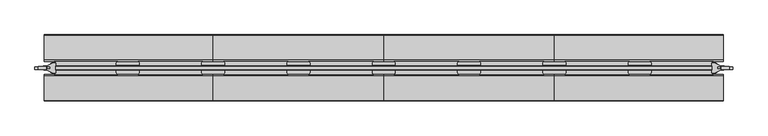
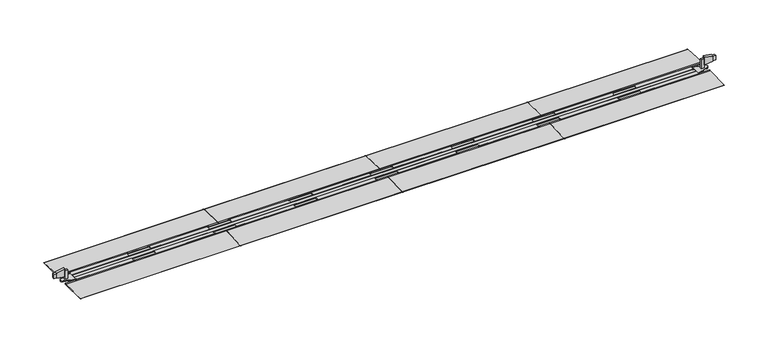
"""IFC4 building model written with IfcOpenShell, lengths in millimetres: furniture geometry."""

from ifc_helpers import new_model, si_unit, point, frame, frame_2d, origin, place, context, project, spatial, polyline, circle_curve, trimmed, segment, composite_curve, outline, extrude, faceted_brep, source, transform, mapped, element, save
from ifc_brep_helpers import plane_surface, cylinder_surface, advanced_brep


def furniture_0c7c3ee8(model_context):
    return source(origin(), model_context, "Body", "SolidModel", [
        extrude(outline(composite_curve([segment(polyline([(84.6321434, 8.9147716), (84.6321434, 18.4297719)]), True, "CONTINUOUS"), segment(trimmed(circle_curve(frame_2d((78.6321437, 18.4297719)), 5.9999997), [point((84.6321434, 18.4297719))], [point((78.6321437, 24.4297716))], True, "CARTESIAN"), True, "CONTINUOUS"), segment(polyline([(78.6321437, 24.4297716), (317.645938, 24.4297716)]), True, "CONTINUOUS"), segment(trimmed(circle_curve(frame_2d((317.645938, 18.4297719)), 5.9999997), [point((317.645938, 24.4297716))], [point((311.6459384, 18.4297719))], True, "CARTESIAN"), True, "CONTINUOUS"), segment(polyline([(311.6459384, 18.4297719), (311.6459384, 8.9147716), (84.6321434, 8.9147716)]), True, "CONTINUOUS")], self_intersect=False)), frame((0.0, 0.0, 3.2), z_axis=(0.0, 0.0, 1.0), x_axis=(1.0, 0.0, 0.0)), (0.0, 0.0, 1.0), 1.6426255),
        extrude(outline(composite_curve([segment(polyline([(-8.9147716, 84.6321434), (-18.4297719, 84.6321434)]), True, "CONTINUOUS"), segment(trimmed(circle_curve(frame_2d((-18.4297719, 78.6321437)), 5.9999997), [point((-18.4297719, 84.6321434))], [point((-24.4297716, 78.6321437))], True, "CARTESIAN"), True, "CONTINUOUS"), segment(polyline([(-24.4297716, 78.6321437), (-24.4297716, 317.645938)]), True, "CONTINUOUS"), segment(trimmed(circle_curve(frame_2d((-18.4297719, 317.645938)), 5.9999997), [point((-24.4297716, 317.645938))], [point((-18.4297719, 311.6459384))], True, "CARTESIAN"), True, "CONTINUOUS"), segment(polyline([(-18.4297719, 311.6459384), (-8.9147716, 311.6459384), (-8.9147716, 84.6321434)]), True, "CONTINUOUS")], self_intersect=False)), frame((0.0, 0.0, 4.8426255), z_axis=(0.0, 0.0, -1.0), x_axis=(0.0, 1.0, 0.0)), (0.0, 0.0, 1.0), 1.6426255),
        extrude(outline(composite_curve([segment(polyline([(635.0805508, 8.9147716), (401.6635384, 8.9147716), (401.6635384, 18.4297719)]), True, "CONTINUOUS"), segment(trimmed(circle_curve(frame_2d((395.6635387, 18.4297719)), 5.9999997), [point((401.6635384, 18.4297719))], [point((395.6635387, 24.4297716))], True, "CARTESIAN"), True, "CONTINUOUS"), segment(polyline([(395.6635387, 24.4297716), (641.0805505, 24.4297716)]), True, "CONTINUOUS"), segment(trimmed(circle_curve(frame_2d((641.0805505, 18.4297719)), 5.9999997), [point((641.0805505, 24.4297716))], [point((635.0805508, 18.4297719))], True, "CARTESIAN"), True, "CONTINUOUS"), segment(polyline([(635.0805508, 18.4297719), (635.0805508, 8.9147716)]), True, "CONTINUOUS")], self_intersect=False)), frame((0.0, 0.0, 3.2), z_axis=(0.0, 0.0, 1.0), x_axis=(1.0, 0.0, 0.0)), (0.0, 0.0, 1.0), 1.6426255),
        extrude(outline(composite_curve([segment(polyline([(-8.9147716, 635.0805508), (-8.9147716, 401.6635384), (-18.4297719, 401.6635384)]), True, "CONTINUOUS"), segment(trimmed(circle_curve(frame_2d((-18.4297719, 395.6635387)), 5.9999997), [point((-18.4297719, 401.6635384))], [point((-24.4297716, 395.6635387))], True, "CARTESIAN"), True, "CONTINUOUS"), segment(polyline([(-24.4297716, 395.6635387), (-24.4297716, 641.0805505)]), True, "CONTINUOUS"), segment(trimmed(circle_curve(frame_2d((-18.4297719, 641.0805505)), 5.9999997), [point((-24.4297716, 641.0805505))], [point((-18.4297719, 635.0805508))], True, "CARTESIAN"), True, "CONTINUOUS"), segment(polyline([(-18.4297719, 635.0805508), (-8.9147716, 635.0805508)]), True, "CONTINUOUS")], self_intersect=False)), frame((0.0, 0.0, 4.8426255), z_axis=(0.0, 0.0, -1.0), x_axis=(0.0, 1.0, 0.0)), (0.0, 0.0, 1.0), 1.6426255),
        extrude(outline(composite_curve([segment(polyline([(1281.9614008, 8.9147716), (1048.5385758, 8.9147716), (1048.5385758, 18.4353716)]), True, "CONTINUOUS"), segment(trimmed(circle_curve(frame_2d((1042.5441758, 18.4353716)), 5.9944), [point((1048.5385758, 18.4353716))], [point((1042.5441758, 24.4297716))], True, "CARTESIAN"), True, "CONTINUOUS"), segment(polyline([(1042.5441758, 24.4297716), (1287.9614005, 24.4297716)]), True, "CONTINUOUS"), segment(trimmed(circle_curve(frame_2d((1287.9614005, 18.4297719)), 5.9999997), [point((1287.9614005, 24.4297716))], [point((1281.9614008, 18.4297719))], True, "CARTESIAN"), True, "CONTINUOUS"), segment(polyline([(1281.9614008, 18.4297719), (1281.9614008, 8.9147716)]), True, "CONTINUOUS")], self_intersect=False)), frame((0.0, 0.0, 3.2), z_axis=(0.0, 0.0, 1.0), x_axis=(1.0, 0.0, 0.0)), (0.0, 0.0, 1.0), 1.6426255),
        extrude(outline(composite_curve([segment(polyline([(1281.9614008, -8.9147716), (1281.9614008, -18.4297719)]), True, "CONTINUOUS"), segment(trimmed(circle_curve(frame_2d((1287.9614005, -18.4297719)), 5.9999997), [point((1281.9614008, -18.4297719))], [point((1287.9614005, -24.4297716))], True, "CARTESIAN"), True, "CONTINUOUS"), segment(polyline([(1287.9614005, -24.4297716), (1042.5385762, -24.4297716)]), True, "CONTINUOUS"), segment(trimmed(circle_curve(frame_2d((1042.5385762, -18.4297719)), 5.9999997), [point((1042.5385762, -24.4297716))], [point((1048.5385758, -18.4297719))], True, "CARTESIAN"), True, "CONTINUOUS"), segment(polyline([(1048.5385758, -18.4297719), (1048.5385758, -8.9147716), (1281.9614008, -8.9147716)]), True, "CONTINUOUS")], self_intersect=False)), frame((0.0, 0.0, 3.2), z_axis=(0.0, 0.0, 1.0), x_axis=(1.0, 0.0, 0.0)), (0.0, 0.0, 1.0), 1.6426255),
        extrude(outline(composite_curve([segment(polyline([(8.9147716, 725.0981508), (8.9147716, 958.5209758), (18.4297719, 958.5209758)]), True, "CONTINUOUS"), segment(trimmed(circle_curve(frame_2d((18.4297719, 964.5209755)), 5.9999997), [point((18.4297719, 958.5209758))], [point((24.4297716, 964.5209755))], True, "CARTESIAN"), True, "CONTINUOUS"), segment(polyline([(24.4297716, 964.5209755), (24.4297716, 719.0981512)]), True, "CONTINUOUS"), segment(trimmed(circle_curve(frame_2d((18.4297719, 719.0981512)), 5.9999997), [point((24.4297716, 719.0981512))], [point((18.4297719, 725.0981508))], True, "CARTESIAN"), True, "CONTINUOUS"), segment(polyline([(18.4297719, 725.0981508), (8.9147716, 725.0981508)]), True, "CONTINUOUS")], self_intersect=False)), frame((0.0, 0.0, 4.8426255), z_axis=(0.0, 0.0, -1.0), x_axis=(0.0, 1.0, 0.0)), (0.0, 0.0, 1.0), 1.6426255),
        extrude(outline(composite_curve([segment(polyline([(725.0981508, -8.9147716), (958.5209758, -8.9147716), (958.5209758, -18.4297719)]), True, "CONTINUOUS"), segment(trimmed(circle_curve(frame_2d((964.5209755, -18.4297719)), 5.9999997), [point((958.5209758, -18.4297719))], [point((964.5209755, -24.4297716))], True, "CARTESIAN"), True, "CONTINUOUS"), segment(polyline([(964.5209755, -24.4297716), (719.0981512, -24.4297716)]), True, "CONTINUOUS"), segment(trimmed(circle_curve(frame_2d((719.0981512, -18.4297719)), 5.9999997), [point((719.0981512, -24.4297716))], [point((725.0981508, -18.4297719))], True, "CARTESIAN"), True, "CONTINUOUS"), segment(polyline([(725.0981508, -18.4297719), (725.0981508, -8.9147716)]), True, "CONTINUOUS")], self_intersect=False)), frame((0.0, 0.0, 3.2), z_axis=(0.0, 0.0, 1.0), x_axis=(1.0, 0.0, 0.0)), (0.0, 0.0, 1.0), 1.6426255),
        extrude(outline(composite_curve([segment(polyline([(2569.3082583, 8.9147716), (2342.2944633, 8.9147716), (2342.2944633, 18.4297719)]), True, "CONTINUOUS"), segment(trimmed(circle_curve(frame_2d((2336.2944637, 18.4297719)), 5.9999997), [point((2342.2944633, 18.4297719))], [point((2336.2944637, 24.4297716))], True, "CARTESIAN"), True, "CONTINUOUS"), segment(polyline([(2336.2944637, 24.4297716), (2575.308258, 24.4297716)]), True, "CONTINUOUS"), segment(trimmed(circle_curve(frame_2d((2575.308258, 18.4297719)), 5.9999997), [point((2575.308258, 24.4297716))], [point((2569.3082583, 18.4297719))], True, "CARTESIAN"), True, "CONTINUOUS"), segment(polyline([(2569.3082583, 18.4297719), (2569.3082583, 8.9147716)]), True, "CONTINUOUS")], self_intersect=False)), frame((0.0, 0.0, 3.2), z_axis=(0.0, 0.0, 1.0), x_axis=(1.0, 0.0, 0.0)), (0.0, 0.0, 1.0), 1.6426255),
        extrude(outline(composite_curve([segment(polyline([(2569.3082583, -8.9147716), (2569.3082583, -18.4297719)]), True, "CONTINUOUS"), segment(trimmed(circle_curve(frame_2d((2575.308258, -18.4297719)), 5.9999997), [point((2569.3082583, -18.4297719))], [point((2575.308258, -24.4297716))], True, "CARTESIAN"), True, "CONTINUOUS"), segment(polyline([(2575.308258, -24.4297716), (2336.2944637, -24.4297716)]), True, "CONTINUOUS"), segment(trimmed(circle_curve(frame_2d((2336.2944637, -18.4297719)), 5.9999997), [point((2336.2944637, -24.4297716))], [point((2342.2944633, -18.4297719))], True, "CARTESIAN"), True, "CONTINUOUS"), segment(polyline([(2342.2944633, -18.4297719), (2342.2944633, -8.9147716), (2569.3082583, -8.9147716)]), True, "CONTINUOUS")], self_intersect=False)), frame((0.0, 0.0, 3.2), z_axis=(0.0, 0.0, 1.0), x_axis=(1.0, 0.0, 0.0)), (0.0, 0.0, 1.0), 1.6426255),
        extrude(outline(composite_curve([segment(polyline([(2018.8598508, 8.9147716), (2018.8598508, 18.4297719)]), True, "CONTINUOUS"), segment(trimmed(circle_curve(frame_2d((2012.8598512, 18.4297719)), 5.9999997), [point((2018.8598508, 18.4297719))], [point((2012.8598512, 24.4297716))], True, "CARTESIAN"), True, "CONTINUOUS"), segment(polyline([(2012.8598512, 24.4297716), (2258.276863, 24.4297716)]), True, "CONTINUOUS"), segment(trimmed(circle_curve(frame_2d((2258.276863, 18.4297719)), 5.9999997), [point((2258.276863, 24.4297716))], [point((2252.2768633, 18.4297719))], True, "CARTESIAN"), True, "CONTINUOUS"), segment(polyline([(2252.2768633, 18.4297719), (2252.2768633, 8.9147716), (2018.8598508, 8.9147716)]), True, "CONTINUOUS")], self_intersect=False)), frame((0.0, 0.0, 3.2), z_axis=(0.0, 0.0, 1.0), x_axis=(1.0, 0.0, 0.0)), (0.0, 0.0, 1.0), 1.6426255),
        extrude(outline(composite_curve([segment(polyline([(2018.8598508, -8.9147716), (2252.2768633, -8.9147716), (2252.2768633, -18.4297719)]), True, "CONTINUOUS"), segment(trimmed(circle_curve(frame_2d((2258.276863, -18.4297719)), 5.9999997), [point((2252.2768633, -18.4297719))], [point((2258.276863, -24.4297716))], True, "CARTESIAN"), True, "CONTINUOUS"), segment(polyline([(2258.276863, -24.4297716), (2012.8598512, -24.4297716)]), True, "CONTINUOUS"), segment(trimmed(circle_curve(frame_2d((2012.8598512, -18.4297719)), 5.9999997), [point((2012.8598512, -24.4297716))], [point((2018.8598508, -18.4297719))], True, "CARTESIAN"), True, "CONTINUOUS"), segment(polyline([(2018.8598508, -18.4297719), (2018.8598508, -8.9147716)]), True, "CONTINUOUS")], self_intersect=False)), frame((0.0, 0.0, 3.2), z_axis=(0.0, 0.0, 1.0), x_axis=(1.0, 0.0, 0.0)), (0.0, 0.0, 1.0), 1.6426255),
        extrude(outline(composite_curve([segment(polyline([(1371.9790008, 8.9147716), (1371.9790008, 18.4297719)]), True, "CONTINUOUS"), segment(trimmed(circle_curve(frame_2d((1365.9790012, 18.4297719)), 5.9999997), [point((1371.9790008, 18.4297719))], [point((1365.9790012, 24.4297716))], True, "CARTESIAN"), True, "CONTINUOUS"), segment(polyline([(1365.9790012, 24.4297716), (1611.4018255, 24.4297716)]), True, "CONTINUOUS"), segment(trimmed(circle_curve(frame_2d((1611.4018255, 18.4297719)), 5.9999997), [point((1611.4018255, 24.4297716))], [point((1605.4018258, 18.4297719))], True, "CARTESIAN"), True, "CONTINUOUS"), segment(polyline([(1605.4018258, 18.4297719), (1605.4018258, 8.9147716), (1371.9790008, 8.9147716)]), True, "CONTINUOUS")], self_intersect=False)), frame((0.0, 0.0, 3.2), z_axis=(0.0, 0.0, 1.0), x_axis=(1.0, 0.0, 0.0)), (0.0, 0.0, 1.0), 1.6426255),
        extrude(outline(composite_curve([segment(polyline([(1371.9790008, -8.9147716), (1605.4018258, -8.9147716), (1605.4018258, -18.4297719)]), True, "CONTINUOUS"), segment(trimmed(circle_curve(frame_2d((1611.4018255, -18.4297719)), 5.9999997), [point((1605.4018258, -18.4297719))], [point((1611.4018255, -24.4297716))], True, "CARTESIAN"), True, "CONTINUOUS"), segment(polyline([(1611.4018255, -24.4297716), (1365.9790012, -24.4297716)]), True, "CONTINUOUS"), segment(trimmed(circle_curve(frame_2d((1365.9790012, -18.4297719)), 5.9999997), [point((1365.9790012, -24.4297716))], [point((1371.9790008, -18.4297719))], True, "CARTESIAN"), True, "CONTINUOUS"), segment(polyline([(1371.9790008, -18.4297719), (1371.9790008, -8.9147716)]), True, "CONTINUOUS")], self_intersect=False)), frame((0.0, 0.0, 3.2), z_axis=(0.0, 0.0, 1.0), x_axis=(1.0, 0.0, 0.0)), (0.0, 0.0, 1.0), 1.6426255),
        extrude(outline(composite_curve([segment(polyline([(1928.8422508, 8.9147716), (1695.4194258, 8.9147716), (1695.4194258, 18.4297719)]), True, "CONTINUOUS"), segment(trimmed(circle_curve(frame_2d((1689.4194262, 18.4297719)), 5.9999997), [point((1695.4194258, 18.4297719))], [point((1689.4194262, 24.4297716))], True, "CARTESIAN"), True, "CONTINUOUS"), segment(polyline([(1689.4194262, 24.4297716), (1934.8422505, 24.4297716)]), True, "CONTINUOUS"), segment(trimmed(circle_curve(frame_2d((1934.8422505, 18.4297719)), 5.9999997), [point((1934.8422505, 24.4297716))], [point((1928.8422508, 18.4297719))], True, "CARTESIAN"), True, "CONTINUOUS"), segment(polyline([(1928.8422508, 18.4297719), (1928.8422508, 8.9147716)]), True, "CONTINUOUS")], self_intersect=False)), frame((0.0, 0.0, 3.2), z_axis=(0.0, 0.0, 1.0), x_axis=(1.0, 0.0, 0.0)), (0.0, 0.0, 1.0), 1.6426255),
        extrude(outline(composite_curve([segment(polyline([(1928.8422508, -8.9147716), (1928.8422508, -18.4297719)]), True, "CONTINUOUS"), segment(trimmed(circle_curve(frame_2d((1934.8422505, -18.4297719)), 5.9999997), [point((1928.8422508, -18.4297719))], [point((1934.8422505, -24.4297716))], True, "CARTESIAN"), True, "CONTINUOUS"), segment(polyline([(1934.8422505, -24.4297716), (1689.4194262, -24.4297716)]), True, "CONTINUOUS"), segment(trimmed(circle_curve(frame_2d((1689.4194262, -18.4297719)), 5.9999997), [point((1689.4194262, -24.4297716))], [point((1695.4194258, -18.4297719))], True, "CARTESIAN"), True, "CONTINUOUS"), segment(polyline([(1695.4194258, -18.4297719), (1695.4194258, -8.9147716), (1928.8422508, -8.9147716)]), True, "CONTINUOUS")], self_intersect=False)), frame((0.0, 0.0, 3.2), z_axis=(0.0, 0.0, 1.0), x_axis=(1.0, 0.0, 0.0)), (0.0, 0.0, 1.0), 1.6426255),
        extrude(outline(composite_curve([segment(trimmed(circle_curve(frame_2d((125.4554521, 0.4957713)), 0.4957713), [point((125.4754986, 0.9911372))], [point((125.4554521, 0.0))], False, "CARTESIAN"), True, "CONTINUOUS"), segment(polyline([(125.4554521, 0.0), (24.4297716, 0.0), (24.4297716, 4.8426255), (30.3016859, 4.8426255), (125.4754986, 0.9911372)]), True, "CONTINUOUS")], self_intersect=False)), frame((1973.8510508, 0.0, 0.0), z_axis=(1.0, 0.0, 0.0), x_axis=(0.0, 1.0, 0.0)), (0.0, 0.0, 1.0), 640.4572042),
        extrude(outline(composite_curve([segment(polyline([(-125.4754986, 0.9911372), (-30.3016859, 4.8426255), (-24.4297716, 4.8426255), (-24.4297716, 0.0), (-125.4554521, 0.0)]), True, "CONTINUOUS"), segment(trimmed(circle_curve(frame_2d((-125.4554521, 0.4957713)), 0.4957713), [point((-125.4554521, 0.0))], [point((-125.4754986, 0.9911372))], False, "CARTESIAN"), True, "CONTINUOUS")], self_intersect=False)), frame((1973.8510508, 0.0, 0.0), z_axis=(1.0, 0.0, 0.0), x_axis=(0.0, 1.0, 0.0)), (0.0, 0.0, 1.0), 640.4572042),
        extrude(outline(composite_curve([segment(trimmed(circle_curve(frame_2d((125.4554521, 0.4957713)), 0.4957713), [point((125.4754986, 0.9911372))], [point((125.4554521, 0.0))], False, "CARTESIAN"), True, "CONTINUOUS"), segment(polyline([(125.4554521, 0.0), (24.4297716, 0.0), (24.4297716, 4.8426255), (30.3016859, 4.8426255), (125.4754986, 0.9911372)]), True, "CONTINUOUS")], self_intersect=False)), frame((1326.9702008, 0.0, 0.0), z_axis=(1.0, 0.0, 0.0), x_axis=(0.0, 1.0, 0.0)), (0.0, 0.0, 1.0), 646.88085),
        extrude(outline(composite_curve([segment(polyline([(-125.4754986, 0.9911372), (-30.3016859, 4.8426255), (-24.4297716, 4.8426255), (-24.4297716, 0.0), (-125.4554521, 0.0)]), True, "CONTINUOUS"), segment(trimmed(circle_curve(frame_2d((-125.4554521, 0.4957713)), 0.4957713), [point((-125.4554521, 0.0))], [point((-125.4754986, 0.9911372))], False, "CARTESIAN"), True, "CONTINUOUS")], self_intersect=False)), frame((1326.9702008, 0.0, 0.0), z_axis=(1.0, 0.0, 0.0), x_axis=(0.0, 1.0, 0.0)), (0.0, 0.0, 1.0), 646.88085),
        extrude(outline(composite_curve([segment(trimmed(circle_curve(frame_2d((125.4554521, 0.4957713)), 0.4957713), [point((125.4754986, 0.9911372))], [point((125.4554521, 0.0))], False, "CARTESIAN"), True, "CONTINUOUS"), segment(polyline([(125.4554521, 0.0), (24.4297716, 0.0), (24.4297716, 4.8426255), (30.3016859, 4.8426255), (125.4754986, 0.9911372)]), True, "CONTINUOUS")], self_intersect=False)), frame((680.0893508, 0.0, 0.0), z_axis=(1.0, 0.0, 0.0), x_axis=(0.0, 1.0, 0.0)), (0.0, 0.0, 1.0), 646.88085),
        extrude(outline(composite_curve([segment(polyline([(-125.4754986, 0.9911372), (-30.3016859, 4.8426255), (-24.4297716, 4.8426255), (-24.4297716, 0.0), (-125.4554521, 0.0)]), True, "CONTINUOUS"), segment(trimmed(circle_curve(frame_2d((-125.4554521, 0.4957713)), 0.4957713), [point((-125.4554521, 0.0))], [point((-125.4754986, 0.9911372))], False, "CARTESIAN"), True, "CONTINUOUS")], self_intersect=False)), frame((680.0893508, 0.0, 0.0), z_axis=(1.0, 0.0, 0.0), x_axis=(0.0, 1.0, 0.0)), (0.0, 0.0, 1.0), 646.88085),
        extrude(outline(composite_curve([segment(trimmed(circle_curve(frame_2d((125.4554521, 0.4957713)), 0.4957713), [point((125.4754986, 0.9911372))], [point((125.4554521, 0.0))], False, "CARTESIAN"), True, "CONTINUOUS"), segment(polyline([(125.4554521, 0.0), (24.4297716, 0.0), (24.4297716, 4.8426255), (30.3016859, 4.8426255), (125.4754986, 0.9911372)]), True, "CONTINUOUS")], self_intersect=False)), frame((39.6321467, 0.0, 0.0), z_axis=(1.0, 0.0, 0.0), x_axis=(0.0, 1.0, 0.0)), (0.0, 0.0, 1.0), 640.4572042),
        extrude(outline(composite_curve([segment(polyline([(-125.4754986, 0.9911372), (-30.3016859, 4.8426255), (-24.4297716, 4.8426255), (-24.4297716, 0.0), (-125.4554521, 0.0)]), True, "CONTINUOUS"), segment(trimmed(circle_curve(frame_2d((-125.4554521, 0.4957713)), 0.4957713), [point((-125.4554521, 0.0))], [point((-125.4754986, 0.9911372))], False, "CARTESIAN"), True, "CONTINUOUS")], self_intersect=False)), frame((39.6321467, 0.0, 0.0), z_axis=(1.0, 0.0, 0.0), x_axis=(0.0, 1.0, 0.0)), (0.0, 0.0, 1.0), 640.4572042),
        faceted_brep([(16.4471645, -5.1378121, 41.98356), (4.4704904, -5.1378121, 41.98356), (4.4704904, -5.1378121, 23.9495601), (16.4471645, -5.1378121, 23.9495601), (16.4471645, 3.9828152, 23.9495601), (4.4704904, 3.9828152, 23.9495601), (4.4704904, 3.9828152, 41.98356), (16.4471645, 3.9828152, 41.98356), (16.4471645, -5.7458537, 43.823833), (16.4471645, -5.7458537, 22.1092859), (47.8642387, -5.7458537, 17.0292851), (47.8642387, -5.7458537, 48.9038327), (16.4471645, 5.7200775, 43.823833), (47.8642387, 5.7200775, 48.9038327), (47.8642387, 5.7200775, 17.0292851), (16.4471645, 5.7200775, 22.1092859), (49.2528394, -4.357253, 48.9038327), (49.2528394, 4.2434044, 48.9038327), (49.2528394, -4.357253, 17.0292851), (49.2528394, 4.2434044, 17.0292851), (49.2528394, 3.09719, 17.0292851), (49.2528387, -3.112044, 17.0292851), (49.2528394, -3.112044, 41.9835611), (49.2528394, 3.09719, 41.9835611), (61.3163018, 3.09719, 41.9835611), (61.3163018, -3.112044, 41.9835611), (61.3163018, 3.09719, 4.8426255), (61.3163018, -3.112044, 4.8426255), (49.2528387, -3.112044, 4.8426255), (49.2528387, 3.09719, 4.8426255)], [[[0, 1, 2, 3]], [[4, 5, 6, 7]], [[1, 0, 7, 6]], [[2, 1, 6, 5]], [[3, 2, 5, 4]], [[8, 9, 10, 11]], [[12, 13, 14, 15]], [[9, 8, 12, 15], [0, 3, 4, 7]], [[10, 9, 15, 14]], [[8, 11, 13, 12]], [[16, 17, 13, 11]], [[18, 10, 14, 19, 20, 21]], [[17, 16, 18, 21, 22, 23, 20, 19]], [[13, 17, 19, 14]], [[16, 11, 10, 18]], [[24, 23, 22, 25]], [[26, 27, 28, 29]], [[23, 24, 26, 29, 20]], [[29, 28, 21, 20]], [[25, 22, 21, 28, 27]], [[24, 25, 27, 26]]]),
        faceted_brep([(2637.4932372, -5.1378121, 23.9495601), (2649.4699112, -5.1378121, 23.9495601), (2649.4699112, -5.1378121, 41.98356), (2637.4932372, -5.1378121, 41.98356), (2637.4932372, 3.9828152, 41.98356), (2649.4699112, 3.9828152, 41.98356), (2649.4699112, 3.9828152, 23.9495601), (2637.4932372, 3.9828152, 23.9495601), (2637.4932372, -5.7458537, 43.823833), (2606.076163, -5.7458537, 48.9038327), (2606.076163, -5.7458537, 17.0292851), (2637.4932372, -5.7458537, 22.1092859), (2637.4932372, 5.7200775, 43.823833), (2637.4932372, 5.7200775, 22.1092859), (2606.076163, 5.7200775, 17.0292851), (2606.076163, 5.7200775, 48.9038327), (2604.6875623, -4.357253, 48.9038327), (2604.6875623, 4.2434044, 48.9038327), (2604.6875623, 4.2434044, 17.0292851), (2604.6875623, -4.357253, 17.0292851), (2604.6875623, -3.112044, 17.0292851), (2604.6860952, 3.09719, 17.0292851), (2604.6875623, 3.09719, 41.9835611), (2604.6875623, -3.112044, 41.9835611), (2592.6226601, 3.09719, 41.9835611), (2592.6226601, -3.112044, 41.9835611), (2592.6226601, 3.09719, 4.8426255), (2604.6860952, 3.09719, 4.8426255), (2604.6860952, -3.112044, 4.8426255), (2592.6226601, -3.112044, 4.8426255)], [[[0, 1, 2, 3]], [[4, 5, 6, 7]], [[1, 0, 7, 6]], [[2, 1, 6, 5]], [[3, 2, 5, 4]], [[8, 9, 10, 11]], [[12, 13, 14, 15]], [[9, 8, 12, 15]], [[11, 10, 14, 13]], [[8, 11, 13, 12], [0, 3, 4, 7]], [[16, 9, 15, 17]], [[18, 14, 10, 19, 20, 21]], [[9, 16, 19, 10]], [[17, 15, 14, 18]], [[16, 17, 18, 21, 22, 23, 20, 19]], [[24, 25, 23, 22]], [[26, 27, 28, 29]], [[25, 24, 26, 29]], [[23, 25, 29, 28, 20]], [[28, 27, 21, 20]], [[24, 22, 21, 27, 26]]]),
        advanced_brep(
        [(72.1269065, 18.5169339, 3.8608001), (50.1021062, 7.9188628, 3.8608001), (41.3426317, 7.9188628, 3.8608001), (41.3426317, -7.9188628, 3.8608001), (50.1021062, -7.9188628, 3.8608001), (72.1269065, -18.5169339, 3.8608001), (81.0749478, -18.5169339, 3.8608001), (83.901701, -15.6901807, 3.8608001), (83.901701, 15.6901807, 3.8608001), (81.0749478, 18.5169339, 3.8608001), (50.1021062, -7.9188628, 0.0), (41.3426317, -7.9188628, 0.0), (41.3426317, 7.9188628, 0.0), (50.1021062, 7.9188628, 0.0), (58.2484554, 11.8387888, 0.0), (74.1037674, 24.4297716, 0.0), (144.8785023, 24.4297716, 0.0), (144.8785023, -24.4297716, 0.0), (74.1037674, -24.4297716, 0.0), (58.2484554, -11.8387888, 0.0), (72.1269065, 18.5169339, 0.8), (58.2484554, 11.8387888, 0.8), (58.2484554, -11.8387888, 0.8), (72.1269065, -18.5169339, 0.8), (81.0749478, -18.5169339, 0.8), (83.901701, -15.6901807, 0.8), (83.901701, 15.6901807, 0.8), (81.0749478, 18.5169339, 0.8), (74.1037674, -24.4297716, 0.8), (144.8785023, -24.4297716, 0.8), (144.8785023, 24.4297716, 0.8), (74.1037674, 24.4297716, 0.8)],
        [
            (0, 1),
            (1, 2),
            (2, 3, circle_curve(frame((41.3426317, 0.0, 3.8608001), z_axis=(0.0, 0.0, 1.0), x_axis=(1.0, 0.0, 0.0)), 7.9188628)),
            (3, 4),
            (4, 5),
            (5, 6),
            (6, 7, circle_curve(frame((81.0749478, -15.6901807, 3.8608001), z_axis=(0.0, 0.0, 1.0), x_axis=(1.0, 0.0, 0.0)), 2.8267532)),
            (7, 8),
            (8, 9, circle_curve(frame((81.0749478, 15.6901807, 3.8608001), z_axis=(0.0, 0.0, 1.0), x_axis=(1.0, 0.0, 0.0)), 2.8267532)),
            (9, 0),
            (10, 11),
            (11, 12, circle_curve(frame((41.3426317, 0.0, 0.0), z_axis=(0.0, 0.0, -1.0), x_axis=(1.0, 0.0, 0.0)), 7.9188628)),
            (12, 13),
            (13, 14),
            (14, 15),
            (15, 16),
            (16, 17),
            (17, 18),
            (18, 19),
            (19, 10),
            (0, 20),
            (20, 21),
            (21, 14),
            (13, 1),
            (4, 10),
            (19, 22),
            (22, 23),
            (23, 5),
            (23, 24),
            (24, 6),
            (24, 25, circle_curve(frame((81.0749478, -15.6901807, 0.8), z_axis=(0.0, 0.0, 1.0), x_axis=(1.0, 0.0, 0.0)), 2.8267532)),
            (25, 7),
            (25, 26),
            (26, 8),
            (26, 27, circle_curve(frame((81.0749478, 15.6901807, 0.8), z_axis=(0.0, 0.0, 1.0), x_axis=(1.0, 0.0, 0.0)), 2.8267532)),
            (27, 9),
            (27, 20),
            (12, 2),
            (11, 3),
            (28, 29),
            (29, 30),
            (30, 31),
            (31, 21),
            (22, 28),
            (18, 28),
            (17, 29),
            (16, 30),
            (15, 31),
        ],
        [
            plane_surface(frame((50.1021062, 7.9188628, 3.8608001), z_axis=(0.0, 0.0, 1.0000000000000002), x_axis=(-0.9011049883982333, -0.4336009684996334, 0.0))),
            plane_surface(frame((50.1021062, 7.9188628, 0.0), z_axis=(0.0, 0.0, -1.0000000000000002), x_axis=(0.9011049883982333, 0.4336009684996334, 0.0))),
            plane_surface(frame((72.1269065, 18.5169339, 3.8608001), z_axis=(-0.4336009684996334, 0.9011049883982333, 0.0), x_axis=(0.0, 0.0, -1.0))),
            plane_surface(frame((50.1021062, -7.9188628, 3.8608001), z_axis=(-0.4336009684996328, -0.9011049883982335, 0.0), x_axis=(0.0, 0.0, -1.0))),
            plane_surface(frame((72.1269065, -18.5169339, 3.8608001), z_axis=(0.0, -1.0, 0.0), x_axis=(0.0, 0.0, -1.0))),
            cylinder_surface(frame((81.0749478, -15.6901807, 0.0), z_axis=(0.0, 0.0, 1.0), x_axis=(1.0, 0.0, 0.0)), 2.8267532),
            plane_surface(frame((83.901701, -15.6901807, 3.8608001), z_axis=(1.0, 0.0, 0.0), x_axis=(0.0, 0.0, -1.0))),
            cylinder_surface(frame((81.0749478, 15.6901807, 0.0), z_axis=(0.0, 0.0, 1.0), x_axis=(1.0, 0.0, 0.0)), 2.8267532),
            plane_surface(frame((81.0749478, 18.5169339, 3.8608001), z_axis=(0.0, 1.0, 0.0), x_axis=(0.0, 0.0, -1.0))),
            plane_surface(frame((50.1021062, 7.9188628, 3.8608001), z_axis=(0.0, 1.0, 0.0), x_axis=(0.0, 0.0, -1.0))),
            cylinder_surface(frame((41.3426317, 0.0, 0.0), z_axis=(0.0, 0.0, 1.0), x_axis=(1.0, 0.0, 0.0)), 7.9188628),
            plane_surface(frame((41.3426317, -7.9188628, 3.8608001), z_axis=(0.0, -1.0, 0.0), x_axis=(0.0, 0.0, -1.0))),
            plane_surface(frame((53.2884988, -7.8999998, 0.8), z_axis=(0.0, 0.0, 1.0), x_axis=(0.0, -1.0, 0.0))),
            plane_surface(frame((53.2884988, -7.8999998, 0.8), z_axis=(-0.6218821339442681, -0.7831108551673406, 0.0), x_axis=(0.0, 0.0, -1.0))),
            plane_surface(frame((74.1037674, -24.4297716, 0.8), z_axis=(0.0, -1.0, 0.0), x_axis=(0.0, 0.0, -1.0))),
            plane_surface(frame((144.8785023, -24.4297716, 0.8), z_axis=(1.0, 0.0, 0.0), x_axis=(0.0, 0.0, -1.0))),
            plane_surface(frame((144.8785023, 24.4297716, 0.8), z_axis=(0.0, 1.0, 0.0), x_axis=(0.0, 0.0, -1.0))),
            plane_surface(frame((74.1037674, 24.4297716, 0.8), z_axis=(-0.621882133944268, 0.7831108551673408, 0.0), x_axis=(0.0, 0.0, -1.0))),
        ],
        [
            (0, [[1, 2, 3, 4, 5, 6, 7, 8, 9, 10]]),
            (1, [[11, 12, 13, 14, 15, 16, 17, 18, 19, 20]]),
            (2, [[-1, 21, 22, 23, -14, 24]]),
            (3, [[-5, 25, -20, 26, 27, 28]]),
            (4, [[-6, -28, 29, 30]]),
            (5, [[-7, -30, 31, 32]]),
            (6, [[-8, -32, 33, 34]]),
            (7, [[-9, -34, 35, 36]]),
            (8, [[-10, -36, 37, -21]]),
            (9, [[-2, -24, -13, 38]]),
            (10, [[-3, -38, -12, 39]]),
            (11, [[-4, -39, -11, -25]]),
            (12, [[40, 41, 42, 43, -22, -37, -35, -33, -31, -29, -27, 44]]),
            (13, [[45, -44, -26, -19]]),
            (14, [[-40, -45, -18, 46]]),
            (15, [[-41, -46, -17, 47]]),
            (16, [[-42, -47, -16, 48]]),
            (17, [[-48, -15, -23, -43]]),
        ],
    ),
        advanced_brep(
        [(2581.8134952, 18.5169339, 3.8608001), (2572.8654538, 18.5169339, 3.8608001), (2570.0387006, 15.6901807, 3.8608001), (2570.0387006, -15.6901807, 3.8608001), (2572.8654538, -18.5169339, 3.8608001), (2581.8134952, -18.5169339, 3.8608001), (2603.8382954, -7.9188628, 3.8608001), (2612.59777, -7.9188628, 3.8608001), (2612.59777, 7.9188628, 3.8608001), (2603.8382954, 7.9188628, 3.8608001), (2603.8382954, 7.9188628, 0.0), (2612.59777, 7.9188628, 0.0), (2612.59777, -7.9188628, 0.0), (2603.8382954, -7.9188628, 0.0), (2595.6919463, -11.8387888, 0.0), (2579.8366342, -24.4297716, 0.0), (2509.0618993, -24.4297716, 0.0), (2509.0618993, 24.4297716, 0.0), (2579.8366342, 24.4297716, 0.0), (2595.6919463, 11.8387888, 0.0), (2581.8134952, 18.5169339, 0.8), (2572.8654538, 18.5169339, 0.8), (2570.0387006, 15.6901807, 0.8), (2570.0387006, -15.6901807, 0.8), (2572.8654538, -18.5169339, 0.8), (2581.8134952, -18.5169339, 0.8), (2595.6919463, -11.8387888, 0.8), (2595.6919463, 11.8387888, 0.8), (2579.8366342, 24.4297716, 0.8), (2509.0618993, 24.4297716, 0.8), (2509.0618993, -24.4297716, 0.8), (2579.8366342, -24.4297716, 0.8)],
        [
            (0, 1),
            (1, 2, circle_curve(frame((2572.8654538, 15.6901807, 3.8608001), z_axis=(0.0, 0.0, 1.0), x_axis=(1.0, 0.0, 0.0)), 2.8267532)),
            (2, 3),
            (3, 4, circle_curve(frame((2572.8654538, -15.6901807, 3.8608001), z_axis=(0.0, 0.0, 1.0), x_axis=(1.0, 0.0, 0.0)), 2.8267532)),
            (4, 5),
            (5, 6),
            (6, 7),
            (7, 8, circle_curve(frame((2612.59777, 0.0, 3.8608001), z_axis=(0.0, 0.0, 1.0), x_axis=(1.0, 0.0, 0.0)), 7.9188628)),
            (8, 9),
            (9, 0),
            (10, 11),
            (11, 12, circle_curve(frame((2612.59777, 0.0, 0.0), z_axis=(0.0, 0.0, -1.0), x_axis=(1.0, 0.0, 0.0)), 7.9188628)),
            (12, 13),
            (13, 14),
            (14, 15),
            (15, 16),
            (16, 17),
            (17, 18),
            (18, 19),
            (19, 10),
            (0, 20),
            (20, 21),
            (21, 1),
            (21, 22, circle_curve(frame((2572.8654538, 15.6901807, 0.8), z_axis=(0.0, 0.0, 1.0), x_axis=(1.0, 0.0, 0.0)), 2.8267532)),
            (22, 2),
            (22, 23),
            (23, 3),
            (23, 24, circle_curve(frame((2572.8654538, -15.6901807, 0.8), z_axis=(0.0, 0.0, 1.0), x_axis=(1.0, 0.0, 0.0)), 2.8267532)),
            (24, 4),
            (24, 25),
            (25, 5),
            (25, 26),
            (26, 14),
            (13, 6),
            (12, 7),
            (11, 8),
            (10, 9),
            (19, 27),
            (27, 20),
            (28, 29),
            (29, 30),
            (30, 31),
            (31, 26),
            (27, 28),
            (18, 28),
            (17, 29),
            (16, 30),
            (15, 31),
        ],
        [
            plane_surface(frame((50.1021062, 7.9188628, 3.8608001), z_axis=(0.0, 0.0, 1.0000000000000002), x_axis=(-0.9011049883982333, -0.4336009684996334, 0.0))),
            plane_surface(frame((50.1021062, 7.9188628, 0.0), z_axis=(0.0, 0.0, -1.0000000000000002), x_axis=(0.9011049883982333, 0.4336009684996334, 0.0))),
            plane_surface(frame((2581.8134952, 18.5169339, 3.8608001), z_axis=(0.0, 1.0, 0.0), x_axis=(0.0, 0.0, -1.0))),
            cylinder_surface(frame((2572.8654538, 15.6901807, 0.0), z_axis=(0.0, 0.0, 1.0), x_axis=(1.0, 0.0, 0.0)), 2.8267532),
            plane_surface(frame((2570.0387006, 15.6901807, 3.8608001), z_axis=(-1.0, 0.0, 0.0), x_axis=(0.0, 0.0, -1.0))),
            cylinder_surface(frame((2572.8654538, -15.6901807, 0.0), z_axis=(0.0, 0.0, 1.0), x_axis=(1.0, 0.0, 0.0)), 2.8267532),
            plane_surface(frame((2572.8654538, -18.5169339, 3.8608001), z_axis=(0.0, -1.0, 0.0), x_axis=(0.0, 0.0, -1.0))),
            plane_surface(frame((2581.8134952, -18.5169339, 3.8608001), z_axis=(0.43360096849953955, -0.9011049883982784, 0.0), x_axis=(0.0, 0.0, -1.0))),
            plane_surface(frame((2603.8382954, -7.9188628, 3.8608001), z_axis=(0.0, -1.0, 0.0), x_axis=(0.0, 0.0, -1.0))),
            cylinder_surface(frame((2612.59777, 0.0, 0.0), z_axis=(0.0, 0.0, 1.0), x_axis=(1.0, 0.0, 0.0)), 7.9188628),
            plane_surface(frame((2612.59777, 7.9188628, 3.8608001), z_axis=(0.0, 1.0, 0.0), x_axis=(0.0, 0.0, -1.0))),
            plane_surface(frame((2603.8382954, 7.9188628, 3.8608001), z_axis=(0.4336009684996145, 0.9011049883982423, 0.0), x_axis=(0.0, 0.0, -1.0))),
            plane_surface(frame((53.2884988, -7.8999998, 0.8), z_axis=(0.0, 0.0, 1.0), x_axis=(0.0, -1.0, 0.0))),
            plane_surface(frame((2600.6519029, 7.8999998, 0.8), z_axis=(0.6218821339440689, 0.7831108551674987, 0.0), x_axis=(0.0, 0.0, -1.0))),
            plane_surface(frame((2579.8366342, 24.4297716, 0.8), z_axis=(0.0, 1.0, 0.0), x_axis=(0.0, 0.0, -1.0))),
            plane_surface(frame((2509.0618993, 24.4297716, 0.8), z_axis=(-1.0, 0.0, 0.0), x_axis=(0.0, 0.0, -1.0))),
            plane_surface(frame((2509.0618993, -24.4297716, 0.8), z_axis=(0.0, -1.0, 0.0), x_axis=(0.0, 0.0, -1.0))),
            plane_surface(frame((2579.8366342, -24.4297716, 0.8), z_axis=(0.6218821339442617, -0.7831108551673457, 0.0), x_axis=(0.0, 0.0, -1.0))),
        ],
        [
            (0, [[1, 2, 3, 4, 5, 6, 7, 8, 9, 10]]),
            (1, [[11, 12, 13, 14, 15, 16, 17, 18, 19, 20]]),
            (2, [[-1, 21, 22, 23]]),
            (3, [[-2, -23, 24, 25]]),
            (4, [[-3, -25, 26, 27]]),
            (5, [[-4, -27, 28, 29]]),
            (6, [[-5, -29, 30, 31]]),
            (7, [[-6, -31, 32, 33, -14, 34]]),
            (8, [[-7, -34, -13, 35]]),
            (9, [[-8, -35, -12, 36]]),
            (10, [[-9, -36, -11, 37]]),
            (11, [[-10, -37, -20, 38, 39, -21]]),
            (12, [[40, 41, 42, 43, -32, -30, -28, -26, -24, -22, -39, 44]]),
            (13, [[45, -44, -38, -19]]),
            (14, [[-40, -45, -18, 46]]),
            (15, [[-41, -46, -17, 47]]),
            (16, [[-42, -47, -16, 48]]),
            (17, [[-48, -15, -33, -43]]),
        ],
    ),
        extrude(outline(composite_curve([segment(polyline([(9.2784886, 1.6), (23.0500011, 1.6), (23.0500011, 0.8), (9.4000002, 0.8)]), True, "CONTINUOUS"), segment(trimmed(circle_curve(frame_2d((9.4000002, 2.4)), 1.6), [point((9.4000002, 0.8))], [point((7.8000003, 2.4))], False, "CARTESIAN"), True, "CONTINUOUS"), segment(polyline([(7.8000003, 2.4), (7.8000003, 3.2512772)]), True, "CONTINUOUS"), segment(trimmed(circle_curve(frame_2d((7.1512773, 3.2512772)), 0.648723), [point((7.8000003, 3.2512772))], [point((7.1512773, 3.9000001))], True, "CARTESIAN"), True, "CONTINUOUS"), segment(polyline([(7.1512773, 3.9000001), (-7.1512773, 3.9000001)]), True, "CONTINUOUS"), segment(trimmed(circle_curve(frame_2d((-7.1512773, 3.2512772)), 0.648723), [point((-7.1512773, 3.9000001))], [point((-7.8000003, 3.2512772))], True, "CARTESIAN"), True, "CONTINUOUS"), segment(polyline([(-7.8000003, 3.2512772), (-7.8000003, 2.4)]), True, "CONTINUOUS"), segment(trimmed(circle_curve(frame_2d((-9.4000002, 2.4)), 1.6), [point((-7.8000003, 2.4))], [point((-9.4000002, 0.8))], False, "CARTESIAN"), True, "CONTINUOUS"), segment(polyline([(-9.4000002, 0.8), (-23.0500011, 0.8), (-23.0500011, 1.6), (-9.2784886, 1.6)]), True, "CONTINUOUS"), segment(trimmed(circle_curve(frame_2d((-9.2784886, 2.2784884)), 0.6784884), [point((-9.2784886, 1.6))], [point((-8.6000003, 2.2784884))], True, "CARTESIAN"), True, "CONTINUOUS"), segment(polyline([(-8.6000003, 2.2784884), (-8.6000003, 3.1000001)]), True, "CONTINUOUS"), segment(trimmed(circle_curve(frame_2d((-7.0000003, 3.1000001)), 1.6), [point((-8.6000003, 3.1000001))], [point((-7.0000003, 4.7000001))], False, "CARTESIAN"), True, "CONTINUOUS"), segment(polyline([(-7.0000003, 4.7000001), (7.0000003, 4.7000001)]), True, "CONTINUOUS"), segment(trimmed(circle_curve(frame_2d((7.0000003, 3.1000001)), 1.6), [point((7.0000003, 4.7000001))], [point((8.6000003, 3.1000001))], False, "CARTESIAN"), True, "CONTINUOUS"), segment(polyline([(8.6000003, 3.1000001), (8.6000003, 2.2784884)]), True, "CONTINUOUS"), segment(trimmed(circle_curve(frame_2d((9.2784886, 2.2784884)), 0.6784884), [point((8.6000003, 2.2784884))], [point((9.2784886, 1.6))], True, "CARTESIAN"), True, "CONTINUOUS")], self_intersect=False)), frame((84.078498, 0.0, 0.0), z_axis=(1.0, 0.0, 0.0), x_axis=(0.0, 1.0, 0.0)), (0.0, 0.0, 1.0), 2485.7819613),
    ])


if __name__ == "__main__":
    model = new_model("IFC4")
    model_context = context("Model", 3, world=origin())
    ifc_project = project(units=[si_unit("LENGTHUNIT", "METRE", prefix="MILLI")], contexts=[model_context])
    site = spatial("IfcSite", under=ifc_project)
    building = spatial("IfcBuilding", under=site)
    placement = place(None, origin())
    furniture_shape = furniture_0c7c3ee8(model_context)
    element("IfcFurniture", 1, at=placement, inside=building, context=model_context, shape_type="MappedRepresentation", body=[
        mapped(furniture_shape, transform((0.0, 0.0, 0.0), x_axis=(1.0, 0.0, 0.0), y_axis=(0.0, 1.0, 0.0), z_axis=(0.0, 0.0, 1.0))),
    ])
    save(model, "model.ifc")
